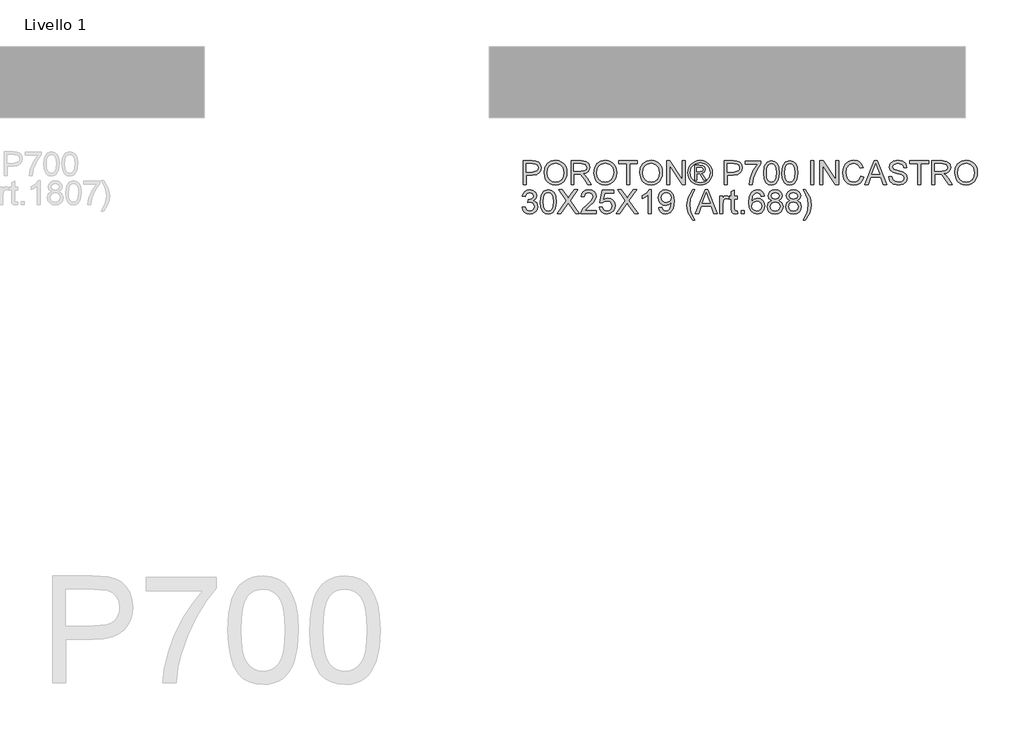
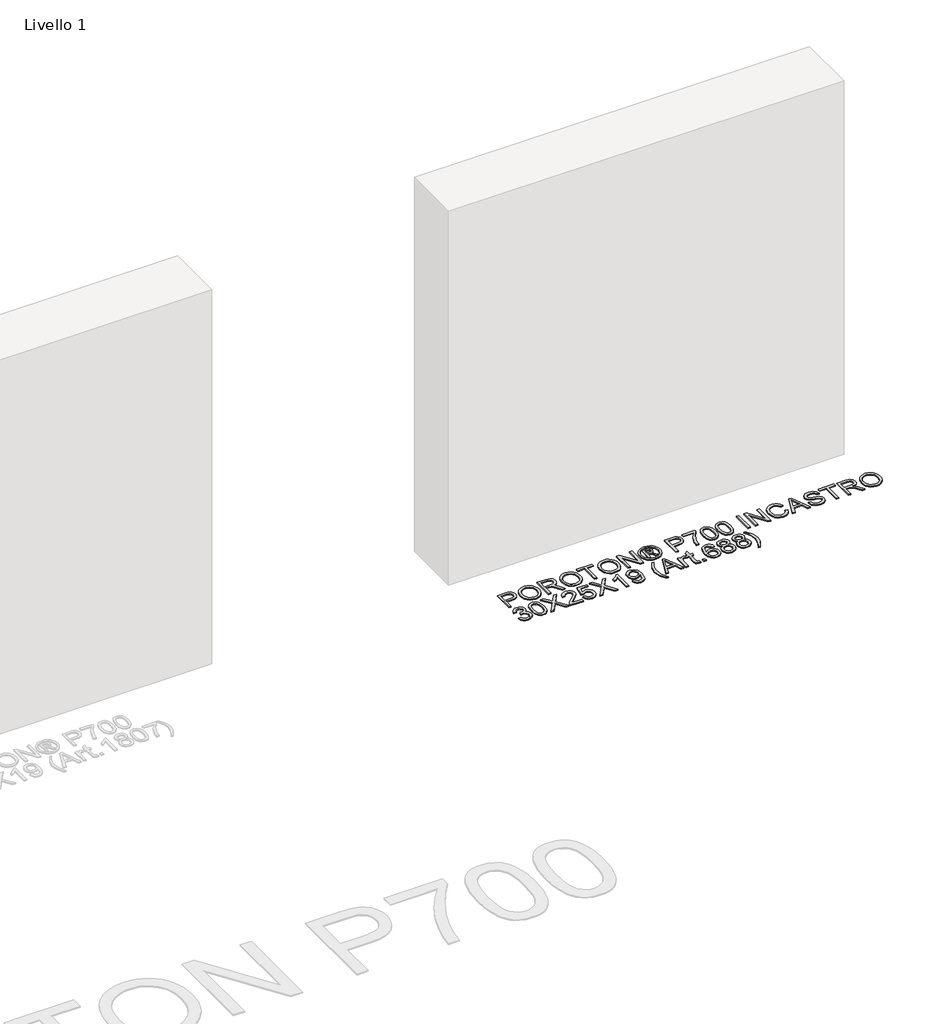
# One storey, part 5 of 5: 1 proxy.
"""IFC4 building model written with IfcOpenShell, lengths in millimetres."""

from ifc_helpers import new_model, si_unit, origin, origin_with_axes, place, context, project, spatial, polyline, outline, extrude, element, save

model = new_model("IFC4")

# Units and contexts
model_context = context("Model", 3, world=origin())
ifc_project = project(units=[si_unit("LENGTHUNIT", "METRE", prefix="MILLI")], contexts=[model_context])

# Site, building, storey
site = spatial("IfcSite", under=ifc_project)
building = spatial("IfcBuilding", under=site)
storey = spatial("IfcBuildingStorey", under=building, Name="Livello 1", Elevation=0.0)

# Proxy
placement = place(None, origin())
element("IfcBuildingElementProxy", 1, Name="100", ObjectType="100", at=placement, inside=storey, context=model_context, shape_type="SweptSolid", body=[
    extrude(outline(polyline([(3743.6928645, 135.6379816), (3743.6928645, 236.0942917), (3780.9225225, 236.0942917), (3795.9321079, 235.1377985), (3808.1335274, 230.4411717), (3816.0429903, 220.729087), (3819.0350972, 207.0316141), (3817.0148119, 195.1919452), (3810.953956, 185.3265764), (3799.6201249, 178.6679123), (3781.7809138, 176.4483576), (3756.2499033, 176.4483576), (3756.2499033, 135.6379816), (3743.6928645, 135.6379816)]), holes=[polyline([(3756.2499033, 189.0053963), (3782.5166778, 189.0053963), (3801.0088794, 193.616184), (3805.1107636, 199.1650708), (3806.4780584, 206.5901557), (3803.2529596, 216.9889534), (3794.7794109, 222.6788616), (3782.2223722, 223.5372529), (3756.2499033, 223.5372529), (3756.2499033, 189.0053963)])]), origin_with_axes(), (0.0, 0.0, 1.0), 5.0),
    extrude(outline(polyline([(3831.5921359, 184.5417614), (3834.9398621, 206.7557026), (3844.9830405, 223.5617784), (3860.3175884, 234.1383858), (3879.5394226, 237.6639216), (3892.7157294, 236.0084526), (3904.5308728, 231.0420456), (3914.3410594, 223.1141886), (3921.5024955, 212.5743695), (3925.8802913, 199.9314916), (3927.3395565, 185.6944584), (3925.8036492, 171.2673528), (3921.1959272, 158.4466653), (3913.7708423, 147.888452), (3903.7828461, 140.2487692), (3892.0688702, 135.6134561), (3879.4658462, 134.0683517), (3866.0872043, 135.7759373), (3854.2046159, 140.8986941), (3844.4189548, 148.9737039), (3837.331095, 159.5380485), (3831.5921359, 184.5417614)]), holes=[polyline([(3844.1491747, 184.4191341), (3846.6599693, 168.7044416), (3854.1923532, 156.7298826), (3865.5139216, 149.1515135), (3879.3922698, 146.6253905), (3893.4729532, 149.176039), (3904.8129157, 156.8279845), (3912.2901172, 169.1704254), (3914.7825178, 185.7925602), (3910.5150866, 206.5165793), (3898.043887, 220.2385777), (3879.612999, 225.1068828), (3866.1055984, 222.7616351), (3854.6215488, 215.7258919), (3846.7672682, 203.208707), (3844.1491747, 184.4191341)])]), origin_with_axes(), (0.0, 0.0, 1.0), 5.0),
    extrude(outline(polyline([(3944.6054848, 135.6379816), (3944.6054848, 236.0942917), (3987.8929329, 236.0942917), (4007.9915526, 233.3842277), (4018.9789615, 223.7947703), (4023.0869771, 208.6012439), (4021.3855229, 198.7052183), (4016.2811602, 190.5014498), (4007.6206049, 184.4865792), (3995.2505728, 181.1572471), (4002.3874835, 175.78617), (4012.5655521, 162.8612492), (4029.3164456, 135.6379816), (4014.7237931, 135.6379816), (4001.6517196, 156.4601025), (3992.209415, 170.2434146), (3985.5752764, 176.7549259), (3979.6033253, 179.1461589), (3972.3192618, 179.5876172), (3957.1625236, 179.5876172), (3957.1625236, 135.6379816), (3944.6054848, 135.6379816)]), holes=[polyline([(3957.1625236, 192.144656), (3985.268708, 192.144656), (3999.6038431, 193.9227523), (4007.7462979, 199.6126605), (4010.5299384, 208.1352601), (4005.2201749, 219.1962454), (3988.4324932, 223.5372529), (3957.1625236, 223.5372529), (3957.1625236, 192.144656)])]), origin_with_axes(), (0.0, 0.0, 1.0), 5.0),
    extrude(outline(polyline([(4040.3529054, 184.5417614), (4043.7006316, 206.7557026), (4053.7438101, 223.5617784), (4069.0783579, 234.1383858), (4088.3001922, 237.6639216), (4101.4764989, 236.0084526), (4113.2916424, 231.0420456), (4123.1018289, 223.1141886), (4130.2632651, 212.5743695), (4134.6410608, 199.9314916), (4136.1003261, 185.6944584), (4134.5644187, 171.2673528), (4129.9566967, 158.4466653), (4122.5316118, 147.888452), (4112.5436156, 140.2487692), (4100.8296398, 135.6134561), (4088.2266158, 134.0683517), (4074.8479739, 135.7759373), (4062.9653854, 140.8986941), (4053.1797243, 148.9737039), (4046.0918646, 159.5380485), (4040.3529054, 184.5417614)]), holes=[polyline([(4052.9099442, 184.4191341), (4055.4207388, 168.7044416), (4062.9531227, 156.7298826), (4074.2746911, 149.1515135), (4088.1530394, 146.6253905), (4102.2337227, 149.176039), (4113.5736852, 156.8279845), (4121.0508868, 169.1704254), (4123.5432873, 185.7925602), (4119.2758561, 206.5165793), (4106.8046565, 220.2385777), (4088.3737686, 225.1068828), (4074.866368, 222.7616351), (4063.3823183, 215.7258919), (4055.5280377, 203.208707), (4052.9099442, 184.4191341)])]), origin_with_axes(), (0.0, 0.0, 1.0), 5.0),
    extrude(outline(polyline([(4178.4803319, 135.6379816), (4178.4803319, 223.5372529), (4145.5181051, 223.5372529), (4145.5181051, 236.0942917), (4223.9995974, 236.0942917), (4223.9995974, 223.5372529), (4191.0373707, 223.5372529), (4191.0373707, 135.6379816), (4178.4803319, 135.6379816)])), origin_with_axes(), (0.0, 0.0, 1.0), 5.0),
    extrude(outline(polyline([(4233.4173765, 184.5417614), (4236.7651027, 206.7557026), (4246.8082811, 223.5617784), (4262.142829, 234.1383858), (4281.3646632, 237.6639216), (4294.54097, 236.0084526), (4306.3561134, 231.0420456), (4316.1663, 223.1141886), (4323.3277361, 212.5743695), (4327.7055319, 199.9314916), (4329.1647971, 185.6944584), (4327.6288898, 171.2673528), (4323.0211678, 158.4466653), (4315.5960829, 147.888452), (4305.6080867, 140.2487692), (4293.8941108, 135.6134561), (4281.2910868, 134.0683517), (4267.9124449, 135.7759373), (4256.0298565, 140.8986941), (4246.2441954, 148.9737039), (4239.1563356, 159.5380485), (4233.4173765, 184.5417614)]), holes=[polyline([(4245.9744153, 184.4191341), (4248.4852099, 168.7044416), (4256.0175938, 156.7298826), (4267.3391622, 149.1515135), (4281.2175104, 146.6253905), (4295.2981938, 149.176039), (4306.6381563, 156.8279845), (4314.1153578, 169.1704254), (4316.6077584, 185.7925602), (4312.3403272, 206.5165793), (4299.8691276, 220.2385777), (4281.4382396, 225.1068828), (4267.930839, 222.7616351), (4256.4467894, 215.7258919), (4248.5925088, 203.208707), (4245.9744153, 184.4191341)])]), origin_with_axes(), (0.0, 0.0, 1.0), 5.0),
    extrude(outline(polyline([(4346.4307254, 135.6379816), (4346.4307254, 236.0942917), (4359.870681, 236.0942917), (4412.355179, 156.5091534), (4412.355179, 236.0942917), (4424.9122177, 236.0942917), (4424.9122177, 135.6379816), (4411.4722622, 135.6379816), (4358.9877642, 215.2476453), (4358.9877642, 135.6379816), (4346.4307254, 135.6379816)])), origin_with_axes(), (0.0, 0.0, 1.0), 5.0),
    extrude(outline(polyline([(4487.7219371, 237.6639216), (4500.616201, 235.9900585), (4513.2038966, 230.9684692), (4524.2618162, 222.8321458), (4532.5667523, 211.81408), (4537.7630854, 199.0914944), (4539.4951965, 185.8416112), (4537.7876109, 172.7082239), (4532.6648541, 160.0898715), (4524.4610856, 149.1116596), (4513.5104649, 140.8986941), (4500.9013095, 135.7759373), (4487.7219371, 134.0683517), (4474.5609587, 135.7759373), (4461.9579347, 140.8986941), (4450.9981169, 149.1116596), (4442.7667572, 160.0898715), (4437.6164093, 172.7082239), (4435.8996267, 185.8416112), (4437.6409348, 199.0914944), (4442.8648591, 211.81408), (4451.1973863, 222.8321458), (4462.264503, 230.9684692), (4474.8460672, 235.9900585), (4487.7219371, 237.6639216)]), holes=[polyline([(4487.7219371, 228.2461425), (4466.8998161, 222.7647007), (4457.8713788, 216.102971), (4451.0441021, 207.080665), (4445.3174057, 185.8416112), (4450.9337375, 164.7864983), (4466.6545615, 149.1024626), (4487.7219371, 143.4861308), (4508.8015754, 149.1024626), (4524.4856111, 164.7864983), (4530.0774174, 185.8416112), (4524.3875092, 207.080665), (4517.5786266, 216.102971), (4508.5317952, 222.7647007), (4487.7219371, 228.2461425)])]), origin_with_axes(), (0.0, 0.0, 1.0), 5.0),
    extrude(outline(polyline([(4464.1529639, 154.4735397), (4464.1529639, 217.2587336), (4484.4355246, 217.2587336), (4499.4941609, 215.5296882), (4506.9131145, 209.4964235), (4509.6722294, 200.3361618), (4504.914289, 188.4167851), (4492.3081993, 182.7268769), (4497.2132925, 179.3914135), (4505.7726803, 166.8589002), (4512.8114891, 154.4735397), (4502.2164877, 154.4735397), (4496.6982577, 164.430879), (4487.4521569, 178.8518533), (4479.4323294, 181.1572471), (4473.570743, 181.1572471), (4473.570743, 154.4735397), (4464.1529639, 154.4735397)]), holes=[polyline([(4473.570743, 190.5750262), (4485.4901196, 190.5750262), (4497.1397161, 192.9662591), (4500.2544504, 199.3060922), (4498.7583969, 203.8678289), (4494.6013304, 206.8599358), (4484.7298302, 207.8409545), (4473.570743, 207.8409545), (4473.570743, 190.5750262)])]), origin_with_axes(), (0.0, 0.0, 1.0), 5.0),
    extrude(outline(polyline([(4589.7233516, 135.6379816), (4589.7233516, 236.0942917), (4626.9530095, 236.0942917), (4641.9625949, 235.1377985), (4654.1640144, 230.4411717), (4662.0734773, 220.729087), (4665.0655842, 207.0316141), (4663.0452989, 195.1919452), (4656.984443, 185.3265764), (4645.6506119, 178.6679123), (4627.8114008, 176.4483576), (4602.2803903, 176.4483576), (4602.2803903, 135.6379816), (4589.7233516, 135.6379816)]), holes=[polyline([(4602.2803903, 189.0053963), (4628.5471648, 189.0053963), (4647.0393664, 193.616184), (4651.1412507, 199.1650708), (4652.5085454, 206.5901557), (4649.2834466, 216.9889534), (4640.809898, 222.6788616), (4628.2528592, 223.5372529), (4602.2803903, 223.5372529), (4602.2803903, 189.0053963)])]), origin_with_axes(), (0.0, 0.0, 1.0), 5.0),
    extrude(outline(polyline([(4677.622623, 221.9676231), (4677.622623, 234.5246619), (4743.5470765, 234.5246619), (4743.5470765, 224.3711188), (4724.8464084, 197.3563176), (4710.5357988, 162.9348256), (4705.8759602, 135.6379816), (4693.3189214, 135.6379816), (4698.3098538, 163.9648952), (4712.0073268, 195.9828915), (4730.9900377, 221.9676231), (4677.622623, 221.9676231)])), origin_with_axes(), (0.0, 0.0, 1.0), 5.0),
    extrude(outline(polyline([(4754.5344854, 185.0567962), (4758.2255681, 213.9600583), (4769.1884516, 230.6251127), (4787.4967122, 236.0942917), (4802.1629411, 232.8569301), (4812.2919587, 223.5249902), (4818.1780706, 208.6625576), (4820.458939, 185.0567962), (4816.8046445, 156.2761615), (4805.8785492, 139.5743189), (4797.6471896, 135.4448435), (4787.4967122, 134.0683517), (4774.4491641, 136.4595847), (4764.5408757, 143.6332836), (4757.036083, 160.6233004), (4754.5344854, 185.0567962)]), holes=[polyline([(4767.0915242, 185.0813217), (4768.5630522, 165.3291243), (4772.9776361, 153.8971913), (4779.5504611, 148.4433407), (4787.4967122, 146.6253905), (4795.4429633, 148.449472), (4802.0157883, 153.9217167), (4806.4303722, 165.3597811), (4807.9019002, 185.0813217), (4806.4794231, 204.3889951), (4802.211992, 215.9098329), (4795.6514297, 221.6303979), (4787.3495594, 223.5372529), (4779.4891474, 221.8572585), (4773.1738398, 216.8172752), (4768.6121031, 204.5790675), (4767.0915242, 185.0813217)])]), origin_with_axes(), (0.0, 0.0, 1.0), 5.0),
    extrude(outline(polyline([(4831.4463479, 185.0567962), (4835.1374306, 213.9600583), (4846.100314, 230.6251127), (4864.4085746, 236.0942917), (4879.0748035, 232.8569301), (4889.2038211, 223.5249902), (4895.089933, 208.6625576), (4897.3708014, 185.0567962), (4893.7165069, 156.2761615), (4882.7904117, 139.5743189), (4874.559052, 135.4448435), (4864.4085746, 134.0683517), (4851.3610265, 136.4595847), (4841.4527381, 143.6332836), (4833.9479454, 160.6233004), (4831.4463479, 185.0567962)]), holes=[polyline([(4844.0033866, 185.0813217), (4845.4749146, 165.3291243), (4849.8894986, 153.8971913), (4856.4623235, 148.4433407), (4864.4085746, 146.6253905), (4872.3548257, 148.449472), (4878.9276507, 153.9217167), (4883.3422347, 165.3597811), (4884.8137626, 185.0813217), (4883.3912856, 204.3889951), (4879.1238545, 215.9098329), (4872.5632922, 221.6303979), (4864.2614218, 223.5372529), (4856.4010099, 221.8572585), (4850.0857023, 216.8172752), (4845.5239656, 204.5790675), (4844.0033866, 185.0813217)])]), origin_with_axes(), (0.0, 0.0, 1.0), 5.0),
    extrude(outline(polyline([(4953.8774759, 135.6379816), (4953.8774759, 236.0942917), (4966.4345146, 236.0942917), (4966.4345146, 135.6379816), (4953.8774759, 135.6379816)])), origin_with_axes(), (0.0, 0.0, 1.0), 5.0),
    extrude(outline(polyline([(4991.5485922, 135.6379816), (4991.5485922, 236.0942917), (5004.9885477, 236.0942917), (5057.4730457, 156.5091534), (5057.4730457, 236.0942917), (5070.0300845, 236.0942917), (5070.0300845, 135.6379816), (5056.5901289, 135.6379816), (5004.1056309, 215.2476453), (5004.1056309, 135.6379816), (4991.5485922, 135.6379816)])), origin_with_axes(), (0.0, 0.0, 1.0), 5.0),
    extrude(outline(polyline([(5162.6382454, 171.3470606), (5175.1952842, 168.109699), (5169.4011427, 153.4771926), (5160.3083261, 142.787155), (5148.364424, 136.2480525), (5134.0170262, 134.0683517), (5119.4519649, 135.7176893), (5107.8851418, 140.6657022), (5099.0191857, 148.740712), (5092.5567253, 159.7710404), (5087.2960128, 186.6264261), (5088.7828692, 201.2742609), (5093.2434384, 213.9232701), (5100.4447284, 224.1718494), (5110.1537474, 231.6183941), (5121.6684539, 236.1525397), (5134.2868063, 237.6639216), (5148.05479, 235.7080156), (5159.437672, 229.8402978), (5168.0798332, 220.4225187), (5173.6256543, 207.816429), (5161.0686156, 204.8243221), (5150.7679197, 220.2631032), (5133.796297, 225.1068828), (5114.1513984, 219.7358057), (5103.0536249, 205.3148314), (5099.8530516, 186.6509516), (5103.6422361, 165.0194902), (5115.4389854, 151.19939), (5132.7662274, 146.6253905), (5143.2477986, 148.1827576), (5151.9819303, 152.8548589), (5158.576215, 160.5926436), (5162.6382454, 171.3470606)])), origin_with_axes(), (0.0, 0.0, 1.0), 5.0),
    extrude(outline(polyline([(5180.762565, 135.6379816), (5220.8617025, 236.0942917), (5231.5548058, 236.0942917), (5271.6539433, 135.6379816), (5258.385666, 135.6379816), (5246.8832223, 167.0305785), (5205.5087606, 167.0305785), (5194.0308423, 135.6379816), (5180.762565, 135.6379816)]), holes=[polyline([(5210.1195482, 179.5876172), (5242.2969601, 179.5876172), (5233.247063, 204.2847619), (5226.2082542, 223.5372529), (5219.9542602, 206.4430029), (5210.1195482, 179.5876172)])]), origin_with_axes(), (0.0, 0.0, 1.0), 5.0),
    extrude(outline(polyline([(5280.3604839, 170.1698382), (5292.9175226, 170.1698382), (5296.9642246, 157.6005367), (5306.8479875, 149.6542856), (5321.9066238, 146.6253905), (5335.0277483, 148.9185216), (5343.501297, 155.2215664), (5346.2849374, 163.6460641), (5344.2002728, 171.4819506), (5335.6654105, 177.1841215), (5317.3816753, 181.9788502), (5297.6999886, 188.1715305), (5287.019148, 197.5157331), (5283.4997436, 209.9991955), (5287.8530138, 224.2117033), (5300.5694681, 234.242619), (5319.1842971, 237.6639216), (5339.0499248, 234.0832035), (5352.2936766, 223.5617784), (5357.2723463, 207.8409545), (5344.7153075, 207.8409545), (5342.4099137, 215.3334844), (5337.6029223, 220.7413498), (5319.6748064, 225.1068828), (5301.6976396, 220.7904007), (5296.0567823, 210.3670775), (5300.0544333, 201.660537), (5320.5577232, 194.6462536), (5342.7777957, 188.3432087), (5354.9301643, 178.1651402), (5358.8419762, 163.9648952), (5354.3415531, 148.943047), (5341.3921069, 137.9801636), (5322.3971332, 134.0683517), (5299.9685942, 138.2867319), (5285.7806119, 150.9909235), (5280.3604839, 170.1698382)])), origin_with_axes(), (0.0, 0.0, 1.0), 5.0),
    extrude(outline(polyline([(5402.7916119, 135.6379816), (5402.7916119, 223.5372529), (5369.8293851, 223.5372529), (5369.8293851, 236.0942917), (5448.3108774, 236.0942917), (5448.3108774, 223.5372529), (5415.3486506, 223.5372529), (5415.3486506, 135.6379816), (5402.7916119, 135.6379816)])), origin_with_axes(), (0.0, 0.0, 1.0), 5.0),
    extrude(outline(polyline([(5462.437546, 135.6379816), (5462.437546, 236.0942917), (5505.7249941, 236.0942917), (5525.8236138, 233.3842277), (5536.8110227, 223.7947703), (5540.9190383, 208.6012439), (5539.2175841, 198.7052183), (5534.1132214, 190.5014498), (5525.4526661, 184.4865792), (5513.082634, 181.1572471), (5520.2195447, 175.78617), (5530.3976132, 162.8612492), (5547.1485068, 135.6379816), (5532.5558543, 135.6379816), (5519.4837807, 156.4601025), (5510.0414762, 170.2434146), (5503.4073375, 176.7549259), (5497.4353865, 179.1461589), (5490.151323, 179.5876172), (5474.9945848, 179.5876172), (5474.9945848, 135.6379816), (5462.437546, 135.6379816)]), holes=[polyline([(5474.9945848, 192.144656), (5503.1007692, 192.144656), (5517.4359043, 193.9227523), (5525.5783591, 199.6126605), (5528.3619995, 208.1352601), (5523.0522361, 219.1962454), (5506.2645544, 223.5372529), (5474.9945848, 223.5372529), (5474.9945848, 192.144656)])]), origin_with_axes(), (0.0, 0.0, 1.0), 5.0),
    extrude(outline(polyline([(5558.1849666, 184.5417614), (5561.5326928, 206.7557026), (5571.5758712, 223.5617784), (5586.9104191, 234.1383858), (5606.1322533, 237.6639216), (5619.3085601, 236.0084526), (5631.1237035, 231.0420456), (5640.9338901, 223.1141886), (5648.0953262, 212.5743695), (5652.473122, 199.9314916), (5653.9323872, 185.6944584), (5652.3964799, 171.2673528), (5647.7887579, 158.4466653), (5640.363673, 147.888452), (5630.3756768, 140.2487692), (5618.6617009, 135.6134561), (5606.0586769, 134.0683517), (5592.680035, 135.7759373), (5580.7974466, 140.8986941), (5571.0117855, 148.9737039), (5563.9239257, 159.5380485), (5558.1849666, 184.5417614)]), holes=[polyline([(5570.7420054, 184.4191341), (5573.2528, 168.7044416), (5580.7851839, 156.7298826), (5592.1067523, 149.1515135), (5605.9851005, 146.6253905), (5620.0657839, 149.176039), (5631.4057464, 156.8279845), (5638.8829479, 169.1704254), (5641.3753485, 185.7925602), (5637.1079173, 206.5165793), (5624.6367177, 220.2385777), (5606.2058297, 225.1068828), (5592.6984291, 222.7616351), (5581.2143795, 215.7258919), (5573.3600989, 203.208707), (5570.7420054, 184.4191341)])]), origin_with_axes(), (0.0, 0.0, 1.0), 5.0),
    extrude(outline(polyline([(3738.983975, 40.3468711), (3751.5410138, 41.9165009), (3758.469458, 28.6972746), (3771.431167, 24.6505726), (3780.0396057, 26.0423929), (3786.686007, 30.2178535), (3792.3513898, 44.0011656), (3786.735058, 56.9874), (3772.4612366, 62.1254852), (3763.6565941, 60.7520591), (3765.0545457, 73.3090979), (3767.065634, 73.1619451), (3781.3149299, 76.7671886), (3786.0606076, 81.3411881), (3787.6425002, 87.8526994), (3783.056238, 97.6751487), (3771.2349632, 101.5624351), (3759.2665357, 97.6383605), (3753.1106436, 85.8661366), (3740.5536048, 87.4357665), (3744.2508189, 98.7113496), (3750.8297752, 107.129716), (3759.8306214, 112.3720344), (3770.7935048, 114.1194739), (3785.9379803, 110.6736458), (3796.5329818, 101.2558668), (3800.199539, 88.5884634), (3796.7169228, 77.0124433), (3786.4162269, 68.6983102), (3800.1014371, 60.114397), (3804.9084285, 43.7804364), (3802.5049328, 31.5422287), (3795.2944457, 21.3151092), (3784.41127, 14.3989277), (3770.9897086, 12.0935339), (3758.8496027, 14.0617025), (3748.9658398, 19.9662086), (3742.0925779, 28.9977115), (3738.983975, 40.3468711)])), origin_with_axes(), (0.0, 0.0, 1.0), 5.0),
    extrude(outline(polyline([(3815.8958375, 63.0819784), (3819.5869201, 91.9852405), (3830.5498036, 108.6502949), (3848.8580642, 114.1194739), (3863.5242931, 110.8821123), (3873.6533107, 101.5501724), (3879.5394226, 86.6877398), (3881.820291, 63.0819784), (3878.1659965, 34.3013436), (3867.2399013, 17.5995011), (3859.0085416, 13.4700257), (3848.8580642, 12.0935339), (3835.8105161, 14.4847668), (3825.9022277, 21.6584657), (3818.397435, 38.6484826), (3815.8958375, 63.0819784)]), holes=[polyline([(3828.4528762, 63.1065039), (3829.9244042, 43.3543064), (3834.3389881, 31.9223734), (3840.9118131, 26.4685228), (3848.8580642, 24.6505726), (3856.8043153, 26.4746542), (3863.3771403, 31.9468989), (3867.7917242, 43.3849632), (3869.2632522, 63.1065039), (3867.8407752, 82.4141772), (3863.573344, 93.9350151), (3857.0127818, 99.6555801), (3848.7109114, 101.5624351), (3840.8504995, 99.8824406), (3834.5351919, 94.8424573), (3829.9734551, 82.6042496), (3828.4528762, 63.1065039)])]), origin_with_axes(), (0.0, 0.0, 1.0), 5.0),
    extrude(outline(polyline([(3886.5291805, 13.6631637), (3925.2548919, 68.4040046), (3892.8076999, 114.1194739), (3907.8663363, 114.1194739), (3926.1378087, 88.3922597), (3932.2937007, 78.3613439), (3939.5041878, 88.5639379), (3957.5794565, 114.1194739), (3972.8588221, 114.1194739), (3940.4116301, 68.2568518), (3979.1373415, 13.6631637), (3964.0787051, 13.6631637), (3938.2779145, 50.0589558), (3932.9068374, 57.6127994), (3926.9962, 49.3231918), (3901.8085461, 13.6631637), (3886.5291805, 13.6631637)])), origin_with_axes(), (0.0, 0.0, 1.0), 5.0),
    extrude(outline(polyline([(4051.3403144, 26.2202025), (4051.3403144, 13.6631637), (3985.4158608, 13.6631637), (3986.7647615, 22.3206533), (3994.3921815, 35.6502443), (4010.1130054, 50.2061086), (4031.7935177, 71.1263314), (4037.2136458, 85.3511018), (4032.100086, 96.8658083), (4018.7459696, 101.5624351), (4004.8277674, 96.9761729), (3999.5425295, 84.2965068), (3986.9854907, 85.8661366), (3990.0297142, 98.0123738), (3996.6117362, 106.8844613), (4006.3882002, 112.3107207), (4019.0157497, 114.1194739), (4031.7352697, 112.1083856), (4041.4933396, 106.0751209), (4047.7013483, 97.062012), (4049.7706845, 86.1113913), (4047.5388671, 74.2042774), (4040.1199135, 61.8924933), (4022.130484, 44.6878786), (4007.6849843, 32.6090865), (4002.0196016, 26.2202025), (4051.3403144, 26.2202025)])), origin_with_axes(), (0.0, 0.0, 1.0), 5.0),
    extrude(outline(polyline([(4063.8973531, 40.3468711), (4076.4543919, 41.9165009), (4082.7819622, 28.9793174), (4095.9030867, 24.6505726), (4104.9039329, 26.1558231), (4111.6484361, 30.6715746), (4115.860685, 37.6766609), (4117.2647679, 46.6499159), (4112.0040554, 61.5613995), (4105.3975079, 65.6632837), (4096.0992905, 67.0305785), (4085.0750933, 64.847812), (4078.0240218, 59.1824292), (4065.466983, 60.7520591), (4076.4543919, 112.549844), (4125.1129171, 112.549844), (4125.1129171, 99.9928052), (4086.607935, 99.9928052), (4081.2368578, 72.3280792), (4090.2070472, 77.7727327), (4099.6064321, 79.5876172), (4111.3388021, 77.3374057), (4121.0784779, 70.5867711), (4127.6359745, 60.298338), (4129.8218067, 47.4347309), (4127.853638, 34.8776921), (4121.949132, 24.1355378), (4110.642892, 15.1040349), (4095.8540358, 12.0935339), (4083.5207919, 14.02798), (4073.6952769, 19.8313185), (4066.9599707, 28.829099), (4063.8973531, 40.3468711)])), origin_with_axes(), (0.0, 0.0, 1.0), 5.0),
    extrude(outline(polyline([(4134.5306962, 13.6631637), (4173.2564076, 68.4040046), (4140.8092156, 114.1194739), (4155.8678519, 114.1194739), (4174.1393244, 88.3922597), (4180.2952164, 78.3613439), (4187.5057035, 88.5639379), (4205.5809722, 114.1194739), (4220.8603377, 114.1194739), (4188.4131458, 68.2568518), (4227.1388571, 13.6631637), (4212.0802208, 13.6631637), (4186.2794302, 50.0589558), (4180.9083531, 57.6127994), (4174.9977157, 49.3231918), (4149.8100617, 13.6631637), (4134.5306962, 13.6631637)])), origin_with_axes(), (0.0, 0.0, 1.0), 5.0),
    extrude(outline(polyline([(4282.0759017, 13.6631637), (4269.518863, 13.6631637), (4269.518863, 91.9484523), (4257.6240118, 83.4749037), (4244.4047854, 77.1350706), (4244.4047854, 89.0053963), (4262.8111479, 100.7530947), (4273.9824979, 114.1194739), (4282.0759017, 114.1194739), (4282.0759017, 13.6631637)])), origin_with_axes(), (0.0, 0.0, 1.0), 5.0),
    extrude(outline(polyline([(4313.4684987, 38.7772412), (4326.0255374, 40.3468711), (4331.6663947, 28.3661808), (4342.359498, 24.6505726), (4352.5253038, 27.0418056), (4359.4169599, 33.4306896), (4363.5249755, 44.3445221), (4365.33986, 58.9126491), (4365.2662836, 61.3651958), (4355.2231051, 51.8493148), (4341.4520558, 48.1950203), (4330.0017287, 50.4268378), (4320.4705193, 57.1222901), (4314.0417814, 67.4659055), (4311.8988688, 80.6422123), (4314.1460147, 94.2538461), (4320.8874522, 104.922424), (4331.0134042, 111.8202114), (4343.4140931, 114.1194739), (4361.3054208, 108.8710241), (4373.6172049, 93.9104896), (4377.8233224, 65.8043052), (4373.6294676, 35.3068878), (4368.4147403, 25.3158259), (4361.158268, 18.0286967), (4352.1727502, 13.5773246), (4341.7708868, 12.0935339), (4331.0348639, 13.844039), (4322.4693448, 19.0955545), (4316.4789997, 27.5169865), (4313.4684987, 38.7772412)]), holes=[polyline([(4365.2662836, 80.9365179), (4363.9112516, 89.4468547), (4359.8461555, 95.9951542), (4353.5369793, 100.1706149), (4345.4497068, 101.5624351), (4337.0619973, 100.063316), (4330.3420195, 95.5659586), (4325.9274356, 88.6834996), (4324.4559076, 80.0290756), (4325.8477278, 72.2698312), (4330.0231885, 66.1108735), (4336.5776193, 62.0917627), (4345.1063503, 60.7520591), (4359.5886381, 66.1108735), (4363.8468722, 72.4966918), (4365.2662836, 80.9365179)])]), origin_with_axes(), (0.0, 0.0, 1.0), 5.0),
    extrude(outline(polyline([(4456.3048147, -14.5901735), (4438.4748006, 14.8649116), (4433.011753, 32.0450007), (4431.1907371, 49.8382266), (4436.6353907, 80.3724322), (4456.3048147, 114.1194739), (4465.7225937, 114.1194739), (4453.9748954, 94.2293207), (4446.9115611, 74.9523041), (4443.7477759, 49.7646502), (4449.2414804, 17.5749756), (4465.7225937, -14.5901735), (4456.3048147, -14.5901735)])), origin_with_axes(), (0.0, 0.0, 1.0), 5.0),
    extrude(outline(polyline([(4468.1506149, 13.6631637), (4508.2497524, 114.1194739), (4518.9428557, 114.1194739), (4559.0419932, 13.6631637), (4545.7737159, 13.6631637), (4534.2712722, 45.0557606), (4492.8968104, 45.0557606), (4481.4188922, 13.6631637), (4468.1506149, 13.6631637)]), holes=[polyline([(4497.5075981, 57.6127994), (4529.68501, 57.6127994), (4520.6351129, 82.309944), (4513.596304, 101.5624351), (4507.3423101, 84.4681851), (4497.5075981, 57.6127994)])]), origin_with_axes(), (0.0, 0.0, 1.0), 5.0),
    extrude(outline(polyline([(4570.8877934, 13.6631637), (4570.8877934, 87.4357665), (4581.8752023, 87.4357665), (4581.8752023, 76.521934), (4589.6743006, 86.5773752), (4597.5224499, 89.0053963), (4610.1285396, 85.1303726), (4605.9346848, 73.8731836), (4597.1055169, 76.4483576), (4590.0053944, 73.9712855), (4585.4804459, 67.1041549), (4583.4448322, 52.437926), (4583.4448322, 13.6631637), (4570.8877934, 13.6631637)])), origin_with_axes(), (0.0, 0.0, 1.0), 5.0),
    extrude(outline(polyline([(4644.6603962, 24.1355378), (4646.230026, 13.2952817), (4636.8367724, 12.0935339), (4626.3153474, 14.1781985), (4621.0668976, 19.6473775), (4619.5463187, 33.8966734), (4619.5463187, 74.8787277), (4610.1285396, 74.8787277), (4610.1285396, 87.4357665), (4619.5463187, 87.4357665), (4619.5463187, 105.3638824), (4632.1033574, 112.7460477), (4632.1033574, 87.4357665), (4644.6603962, 87.4357665), (4644.6603962, 74.8787277), (4632.1033574, 74.8787277), (4632.1033574, 34.2645554), (4632.765545, 27.7898323), (4634.9115233, 25.4967012), (4639.1912172, 24.6505726), (4644.6603962, 24.1355378)])), origin_with_axes(), (0.0, 0.0, 1.0), 5.0),
    extrude(outline(polyline([(4660.3566947, 13.6631637), (4660.3566947, 26.2202025), (4672.9137334, 26.2202025), (4672.9137334, 13.6631637), (4660.3566947, 13.6631637)])), origin_with_axes(), (0.0, 0.0, 1.0), 5.0),
    extrude(outline(polyline([(4757.6737451, 87.4357665), (4745.1167063, 85.8661366), (4740.3587659, 96.3385108), (4727.7772016, 101.5624351), (4716.4464362, 98.5212773), (4707.8747857, 87.1046727), (4704.3063303, 64.7251846), (4715.3795784, 74.7438376), (4729.1015768, 78.0179874), (4740.7021224, 75.7800386), (4750.4387325, 69.0661922), (4757.0422144, 58.8084159), (4759.243375, 45.9386774), (4755.0985711, 28.6114354), (4743.6942293, 16.3487023), (4727.2376414, 12.0935339), (4712.9914111, 14.9139625), (4701.6453172, 23.3752484), (4694.223298, 38.3112574), (4691.7492916, 60.5558554), (4694.4961438, 85.5656997), (4702.7367005, 102.6660811), (4713.9877582, 111.2561257), (4728.5620166, 114.1194739), (4739.5800823, 112.3475089), (4748.4031188, 107.0316141), (4754.5835364, 98.5887223), (4757.6737451, 87.4357665)]), holes=[polyline([(4704.3063303, 46.1348812), (4707.2125981, 35.2578368), (4714.93812, 27.3606367), (4726.2566227, 24.6505726), (4734.5431647, 26.0546556), (4741.0577417, 30.2669044), (4745.2791876, 36.8887803), (4746.6863362, 45.5217445), (4745.2975817, 53.8082864), (4741.1313181, 60.1266597), (4734.5063765, 64.1273764), (4725.7415879, 65.4609486), (4710.5480615, 60.1266597), (4705.8667631, 53.9615706), (4704.3063303, 46.1348812)])]), origin_with_axes(), (0.0, 0.0, 1.0), 5.0),
    extrude(outline(polyline([(4788.5267818, 68.9926158), (4777.0856517, 76.7917141), (4773.3700436, 88.9318199), (4775.3933945, 98.7481378), (4781.4634475, 106.8599358), (4790.8996206, 112.3045894), (4803.0213324, 114.1194739), (4815.2166205, 112.2616698), (4824.775421, 106.6882576), (4830.9558386, 98.4477009), (4833.0159777, 88.5884634), (4829.3494205, 76.7549259), (4818.2271215, 68.9926158), (4831.5812379, 59.145641), (4836.1552374, 42.8975196), (4833.8866318, 30.8923038), (4827.0808149, 20.9717527), (4816.5716525, 14.3130886), (4803.1930106, 12.0935339), (4789.8143688, 14.3222856), (4779.3052064, 21.0085409), (4772.4993895, 31.0241282), (4770.2307839, 43.2408761), (4774.9887244, 59.8691423), (4788.5267818, 68.9926158)]), holes=[polyline([(4785.9270823, 88.5639379), (4790.3784545, 78.7047005), (4803.3401634, 74.8787277), (4816.044355, 78.680175), (4820.458939, 87.9998522), (4815.8972022, 97.6506232), (4803.1930106, 101.5624351), (4790.4520309, 97.7364623), (4785.9270823, 88.5639379)]), polyline([(4782.7878226, 43.6823345), (4784.88475, 34.2277672), (4792.3037036, 27.1521702), (4803.2911125, 24.6505726), (4811.8382375, 25.9657508), (4818.251647, 29.9112852), (4823.5981986, 43.2899271), (4818.0799687, 56.9260863), (4811.5194065, 60.9727883), (4802.8741796, 62.3216889), (4794.4466162, 60.9911824), (4788.0975861, 56.9996627), (4782.7878226, 43.6823345)])]), origin_with_axes(), (0.0, 0.0, 1.0), 5.0),
    extrude(outline(polyline([(4865.4386442, 68.9926158), (4853.9975142, 76.7917141), (4850.281906, 88.9318199), (4852.305257, 98.7481378), (4858.3753099, 106.8599358), (4867.8114831, 112.3045894), (4879.9331948, 114.1194739), (4892.128483, 112.2616698), (4901.6872835, 106.6882576), (4907.867701, 98.4477009), (4909.9278402, 88.5884634), (4906.261283, 76.7549259), (4895.138984, 68.9926158), (4908.4931004, 59.145641), (4913.0670999, 42.8975196), (4910.7984942, 30.8923038), (4903.9926773, 20.9717527), (4893.483515, 14.3130886), (4880.1048731, 12.0935339), (4866.7262312, 14.3222856), (4856.2170689, 21.0085409), (4849.411252, 31.0241282), (4847.1426463, 43.2408761), (4851.9005868, 59.8691423), (4865.4386442, 68.9926158)]), holes=[polyline([(4862.8389448, 88.5639379), (4867.2903169, 78.7047005), (4880.2520259, 74.8787277), (4892.9562175, 78.680175), (4897.3708014, 87.9998522), (4892.8090647, 97.6506232), (4880.1048731, 101.5624351), (4867.3638933, 97.7364623), (4862.8389448, 88.5639379)]), polyline([(4859.6996851, 43.6823345), (4861.7966125, 34.2277672), (4869.215566, 27.1521702), (4880.202975, 24.6505726), (4888.7501, 25.9657508), (4895.1635094, 29.9112852), (4900.5100611, 43.2899271), (4894.9918312, 56.9260863), (4888.4312689, 60.9727883), (4879.786042, 62.3216889), (4871.3584787, 60.9911824), (4865.0094486, 56.9996627), (4859.6996851, 43.6823345)])]), origin_with_axes(), (0.0, 0.0, 1.0), 5.0),
    extrude(outline(polyline([(4930.3330282, -14.5901735), (4920.9152491, -14.5901735), (4937.3963625, 17.5749756), (4942.8900669, 49.7646502), (4939.7262818, 74.7315749), (4932.7365239, 94.0331169), (4920.9152491, 114.1194739), (4930.3330282, 114.1194739), (4950.0024522, 80.3724322), (4955.4471057, 49.8382266), (4953.6168928, 32.0450007), (4948.126254, 14.8649116), (4930.3330282, -14.5901735)])), origin_with_axes(), (0.0, 0.0, 1.0), 5.0),
])

save(model, "model.ifc")
